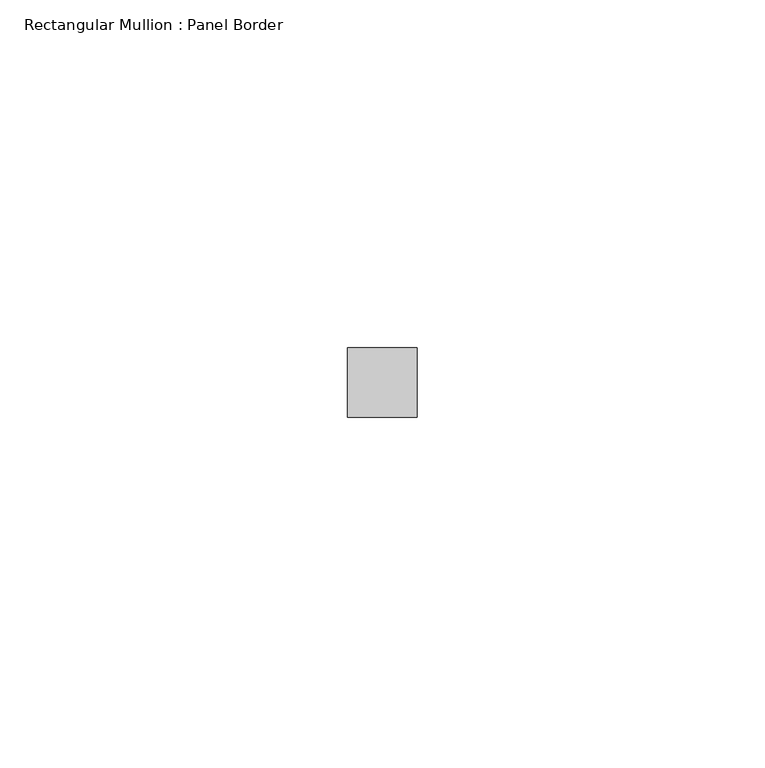
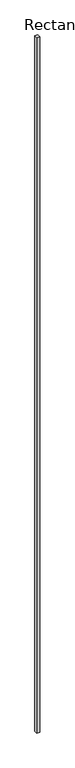
"""IFC4 building model written with IfcOpenShell, lengths in millimetres: member geometry, Rectangular Mullion : Panel Border."""

from ifc_helpers import new_model, si_unit, frame, origin, place, context, project, spatial, polyline, outline, extrude, source, transform, mapped, element, save


def rectangular_mullion_panel_border_bb9e1789(model_context):
    return source(origin(), model_context, "Body", "SweptSolid", [
        extrude(outline(polyline([(5.0, 5.5), (5.0, -4.5), (-5.0, -4.5), (-5.0, 5.5), (5.0, 5.5)])), frame((0.0, 0.0, -2400.0), z_axis=(0.0, 0.0, 1.0), x_axis=(1.0, 0.0, 0.0)), (0.0, 0.0, 1.0), 2400.0),
    ])


if __name__ == "__main__":
    model = new_model("IFC4")
    model_context = context("Model", 3, world=origin())
    ifc_project = project(units=[si_unit("LENGTHUNIT", "METRE", prefix="MILLI")], contexts=[model_context])
    site = spatial("IfcSite", under=ifc_project)
    building = spatial("IfcBuilding", under=site)
    placement = place(None, origin())
    rectangular_mullion_panel_border_shape = rectangular_mullion_panel_border_bb9e1789(model_context)
    element("IfcMember", 1, ObjectType="Rectangular Mullion : Panel Border", at=placement, inside=building, context=model_context, shape_type="MappedRepresentation", body=[
        mapped(rectangular_mullion_panel_border_shape, transform((0.0, 0.0, 0.0), x_axis=(1.0, 0.0, 0.0), y_axis=(0.0, 1.0, 0.0), z_axis=(0.0, 0.0, 1.0))),
    ])
    save(model, "model.ifc")
